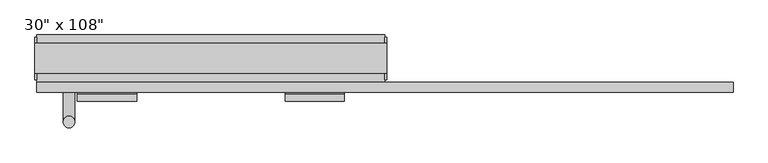
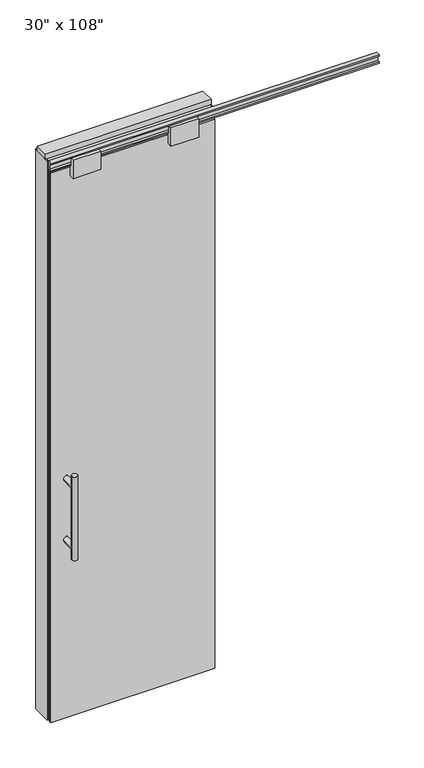
"""IFC4 building model written with IfcOpenShell, lengths in millimetres: furniture geometry."""

from ifc_helpers import new_model, si_unit, frame, origin, origin_with_axes, place, context, project, spatial, polyline, circle_curve, ellipse_curve, outline, extrude, source, transform, mapped, element, save
from ifc_brep_helpers import plane_surface, cylinder_surface, advanced_brep


def furniture_84f3418d(model_context):
    return source(origin(), model_context, "Body", "SolidModel", [
        extrude(outline(polyline([(317.0264771, -74.3677216), (-437.0995229, -74.3677216), (-437.0995229, -64.2077216), (317.0264771, -64.2077216), (317.0264771, -74.3677216)])), origin_with_axes(), (0.0, 0.0, 1.0), 2670.81),
        advanced_brep(
        [(-379.8225229, 3.3562784, 1219.2), (-354.4225229, 3.3562784, 1219.2), (-379.8225229, 3.3562784, 812.8), (-354.4225229, 3.3562784, 812.8), (-354.4225229, 3.3562784, 1164.336), (-354.4225229, 3.3562784, 867.664), (-379.8225229, 3.3562784, 867.664), (-379.8225229, 3.3562784, 1164.336), (-379.8225229, -64.2077216, 1164.336), (-354.4225229, -64.2077216, 1164.336), (-379.8225229, -64.2077216, 867.664), (-354.4225229, -64.2077216, 867.664)],
        [
            (0, 1, circle_curve(frame((-367.1225229, 3.3562784, 1219.2), z_axis=(0.0, 0.0, 1.0), x_axis=(1.0, 0.0, 0.0)), 12.7)),
            (1, 0, circle_curve(frame((-367.1225229, 3.3562784, 1219.2), z_axis=(0.0, 0.0, 1.0), x_axis=(1.0, 0.0, 0.0)), 12.7)),
            (2, 3, circle_curve(frame((-367.1225229, 3.3562784, 812.8), z_axis=(0.0, 0.0, -1.0), x_axis=(1.0, 0.0, 0.0)), 12.7)),
            (3, 2, circle_curve(frame((-367.1225229, 3.3562784, 812.8), z_axis=(0.0, 0.0, -1.0), x_axis=(1.0, 0.0, 0.0)), 12.7)),
            (1, 4),
            (4, 5),
            (5, 3),
            (2, 6),
            (6, 7),
            (7, 0),
            (6, 5, ellipse_curve(frame((-367.1225229, 3.3562784, 867.664), z_axis=(0.0, 0.707106781186565, 0.70710678118653), x_axis=(0.0, -0.70710678118653, 0.707106781186565)), 17.9605122, 12.7)),
            (4, 7, ellipse_curve(frame((-367.1225229, 3.3562784, 1164.336), z_axis=(0.0, 0.70710678118653, -0.7071067811865649), x_axis=(0.0, 0.7071067811865648, 0.7071067811865301)), 17.9605122, 12.7)),
            (7, 4, ellipse_curve(frame((-367.1225229, 3.3562784, 1164.336), z_axis=(0.0, 0.707106781186565, 0.70710678118653), x_axis=(0.0, -0.70710678118653, 0.707106781186565)), 17.9605122, 12.7)),
            (5, 6, ellipse_curve(frame((-367.1225229, 3.3562784, 867.664), z_axis=(0.0, 0.70710678118653, -0.7071067811865649), x_axis=(0.0, 0.7071067811865648, 0.7071067811865301)), 17.9605122, 12.7)),
            (8, 9, circle_curve(frame((-367.1225229, -64.2077216, 1164.336), z_axis=(0.0, -1.0, 0.0), x_axis=(1.0, 0.0, 0.0)), 12.7)),
            (9, 8, circle_curve(frame((-367.1225229, -64.2077216, 1164.336), z_axis=(0.0, -1.0, 0.0), x_axis=(1.0, 0.0, 0.0)), 12.7)),
            (8, 7),
            (4, 9),
            (10, 11, circle_curve(frame((-367.1225229, -64.2077216, 867.664), z_axis=(0.0, -1.0, 0.0), x_axis=(1.0, 0.0, 0.0)), 12.7)),
            (11, 10, circle_curve(frame((-367.1225229, -64.2077216, 867.664), z_axis=(0.0, -1.0, 0.0), x_axis=(1.0, 0.0, 0.0)), 12.7)),
            (10, 6),
            (5, 11),
        ],
        [
            plane_surface(frame((-354.4225229, 3.3562784, 1219.2), z_axis=(0.0, 0.0, 1.0), x_axis=(0.0, -1.0, 0.0))),
            plane_surface(frame((-354.4225229, 3.3562784, 812.8), z_axis=(0.0, 0.0, -1.0), x_axis=(0.0, 1.0, 0.0))),
            cylinder_surface(frame((-367.1225229, 3.3562784, 812.8), z_axis=(0.0, 0.0, 1.0), x_axis=(1.0, 0.0, 0.0)), 12.7),
            plane_surface(frame((-354.4225229, -64.2077216, 1164.336), z_axis=(0.0, -1.0, 0.0), x_axis=(0.0, 0.0, -1.0))),
            cylinder_surface(frame((-367.1225229, -64.2077216, 1164.336), z_axis=(0.0, 1.0, 0.0), x_axis=(1.0, 0.0, 0.0)), 12.7),
            plane_surface(frame((-354.4225229, -64.2077216, 867.664), z_axis=(0.0, -1.0, 0.0), x_axis=(0.0, 0.0, -1.0))),
            cylinder_surface(frame((-367.1225229, -64.2077216, 867.664), z_axis=(0.0, 1.0, 0.0), x_axis=(1.0, 0.0, 0.0)), 12.7),
        ],
        [
            (0, [[1, 2]]),
            (1, [[3, 4]]),
            (2, [[5, 6, 7, -3, 8, 9, 10, -2]]),
            (2, [[-9, 11, -6, 12]]),
            (2, [[-10, 13, -5, -1]]),
            (2, [[-7, 14, -8, -4]]),
            (3, [[15, 16]]),
            (4, [[17, -12, 18, -15]]),
            (4, [[-18, -13, -17, -16]]),
            (5, [[19, 20]]),
            (6, [[21, -14, 22, -19]]),
            (6, [[-22, -11, -21, -20]]),
        ],
    ),
        advanced_brep(
        [(-379.8225229, -141.9317216, 1219.2), (-354.4225229, -141.9317216, 1219.2), (-379.8225229, -141.9317216, 812.8), (-354.4225229, -141.9317216, 812.8), (-379.8225229, -141.9317216, 1164.336), (-379.8225229, -141.9317216, 867.664), (-354.4225229, -141.9317216, 867.664), (-354.4225229, -141.9317216, 1164.336), (-379.8225229, -74.3677216, 1164.336), (-354.4225229, -74.3677216, 1164.336), (-379.8225229, -74.3677216, 867.664), (-354.4225229, -74.3677216, 867.664)],
        [
            (0, 1, circle_curve(frame((-367.1225229, -141.9317216, 1219.2), z_axis=(0.0, 0.0, 1.0), x_axis=(1.0, 0.0, 0.0)), 12.7)),
            (1, 0, circle_curve(frame((-367.1225229, -141.9317216, 1219.2), z_axis=(0.0, 0.0, 1.0), x_axis=(1.0, 0.0, 0.0)), 12.7)),
            (2, 3, circle_curve(frame((-367.1225229, -141.9317216, 812.8), z_axis=(0.0, 0.0, -1.0), x_axis=(1.0, 0.0, 0.0)), 12.7)),
            (3, 2, circle_curve(frame((-367.1225229, -141.9317216, 812.8), z_axis=(0.0, 0.0, -1.0), x_axis=(1.0, 0.0, 0.0)), 12.7)),
            (0, 4),
            (4, 5),
            (5, 2),
            (3, 6),
            (6, 7),
            (7, 1),
            (7, 4, ellipse_curve(frame((-367.1225229, -141.9317216, 1164.336), z_axis=(0.0, -0.707106781186565, 0.70710678118653), x_axis=(0.0, 0.70710678118653, 0.707106781186565)), 17.9605122, 12.7)),
            (5, 6, ellipse_curve(frame((-367.1225229, -141.9317216, 867.664), z_axis=(0.0, -0.70710678118653, -0.7071067811865649), x_axis=(0.0, -0.7071067811865648, 0.7071067811865301)), 17.9605122, 12.7)),
            (4, 7, ellipse_curve(frame((-367.1225229, -141.9317216, 1164.336), z_axis=(0.0, -0.70710678118653, -0.7071067811865649), x_axis=(0.0, -0.7071067811865648, 0.7071067811865301)), 17.9605122, 12.7)),
            (6, 5, ellipse_curve(frame((-367.1225229, -141.9317216, 867.664), z_axis=(0.0, -0.707106781186565, 0.70710678118653), x_axis=(0.0, 0.70710678118653, 0.707106781186565)), 17.9605122, 12.7)),
            (8, 9, circle_curve(frame((-367.1225229, -74.3677216, 1164.336), z_axis=(0.0, 1.0, 0.0), x_axis=(1.0, 0.0, 0.0)), 12.7)),
            (9, 8, circle_curve(frame((-367.1225229, -74.3677216, 1164.336), z_axis=(0.0, 1.0, 0.0), x_axis=(1.0, 0.0, 0.0)), 12.7)),
            (9, 7),
            (4, 8),
            (10, 11, circle_curve(frame((-367.1225229, -74.3677216, 867.664), z_axis=(0.0, 1.0, 0.0), x_axis=(1.0, 0.0, 0.0)), 12.7)),
            (11, 10, circle_curve(frame((-367.1225229, -74.3677216, 867.664), z_axis=(0.0, 1.0, 0.0), x_axis=(1.0, 0.0, 0.0)), 12.7)),
            (11, 6),
            (5, 10),
        ],
        [
            plane_surface(frame((-354.4225229, -141.9317216, 1219.2), z_axis=(0.0, 0.0, 1.0), x_axis=(0.0, 1.0, 0.0))),
            plane_surface(frame((-354.4225229, -141.9317216, 812.8), z_axis=(0.0, 0.0, -1.0), x_axis=(0.0, -1.0, 0.0))),
            cylinder_surface(frame((-367.1225229, -141.9317216, 812.8), z_axis=(0.0, 0.0, 1.0), x_axis=(1.0, 0.0, 0.0)), 12.7),
            plane_surface(frame((-354.4225229, -74.3677216, 1164.336), z_axis=(0.0, 1.0, 0.0), x_axis=(0.0, 0.0, -1.0))),
            cylinder_surface(frame((-367.1225229, -74.3677216, 1164.336), z_axis=(0.0, -1.0, 0.0), x_axis=(1.0, 0.0, 0.0)), 12.7),
            plane_surface(frame((-354.4225229, -74.3677216, 867.664), z_axis=(0.0, 1.0, 0.0), x_axis=(0.0, 0.0, -1.0))),
            cylinder_surface(frame((-367.1225229, -74.3677216, 867.664), z_axis=(0.0, -1.0, 0.0), x_axis=(1.0, 0.0, 0.0)), 12.7),
        ],
        [
            (0, [[1, 2]]),
            (1, [[3, 4]]),
            (2, [[-1, 5, 6, 7, -4, 8, 9, 10]]),
            (2, [[-2, -10, 11, -5]]),
            (2, [[-3, -7, 12, -8]]),
            (2, [[13, -9, 14, -6]]),
            (3, [[15, 16]]),
            (4, [[-16, 17, -13, 18]]),
            (4, [[-15, -18, -11, -17]]),
            (5, [[19, 20]]),
            (6, [[-20, 21, -12, 22]]),
            (6, [[-19, -22, -14, -21]]),
        ],
    ),
        extrude(outline(polyline([(-63.1282216, 2628.9), (-63.1282216, 2670.81), (-75.4472216, 2670.81), (-75.4472216, 2628.9), (-97.6722216, 2628.9), (-97.6722216, 2717.8), (-82.1782216, 2717.8), (-82.1782216, 2676.779), (-59.5722216, 2676.779), (-59.5722216, 2628.9), (-63.1282216, 2628.9)])), frame((-348.8345229, 0.0, 0.0), z_axis=(1.0, 0.0, 0.0), x_axis=(0.0, 1.0, 0.0)), (0.0, 0.0, 1.0), 128.016),
        extrude(outline(polyline([(-63.1282216, 2628.9), (-63.1282216, 2670.81), (-75.4472216, 2670.81), (-75.4472216, 2628.9), (-97.6722216, 2628.9), (-97.6722216, 2717.8), (-82.1782216, 2717.8), (-82.1782216, 2676.779), (-59.5722216, 2676.779), (-59.5722216, 2628.9), (-63.1282216, 2628.9)])), frame((100.7454771, 0.0, 0.0), z_axis=(1.0, 0.0, 0.0), x_axis=(0.0, 1.0, 0.0)), (0.0, 0.0, 1.0), 128.016),
        extrude(outline(polyline([(-77.9237216, 2681.478), (-77.9237216, 2686.812), (-65.2237216, 2686.812), (-65.2237216, 2715.768), (-77.9237216, 2715.768), (-77.9237216, 2721.102), (-56.2067216, 2721.102), (-56.2067216, 2681.478), (-77.9237216, 2681.478)])), frame((-437.0995229, 0.0, 0.0), z_axis=(1.0, 0.0, 0.0), x_axis=(0.0, 1.0, 0.0)), (0.0, 0.0, 1.0), 1508.252),
        extrude(outline(polyline([(-437.0995229, -55.3177216), (-437.0995229, 46.2822784), (317.0264771, 46.2822784), (317.0264771, -55.3177216), (-437.0995229, -55.3177216)])), frame((0.0, 0.0, 2654.3), z_axis=(0.0, 0.0, 1.0), x_axis=(1.0, 0.0, 0.0)), (0.0, 0.0, 1.0), 22.225),
        extrude(outline(polyline([(320.9634771, -50.3647216), (317.0264771, -50.3647216), (317.0264771, 41.3292784), (320.9634771, 41.3292784), (320.9634771, -50.3647216)])), origin_with_axes(), (0.0, 0.0, 1.0), 2717.8),
        extrude(outline(polyline([(-441.0365229, -50.3647216), (-441.0365229, 41.3292784), (-437.0995229, 41.3292784), (-437.0995229, -50.3647216), (-441.0365229, -50.3647216)])), origin_with_axes(), (0.0, 0.0, 1.0), 2717.8),
        extrude(outline(polyline([(294.8014771, -55.3177216), (294.8014771, 46.2822784), (317.0264771, 46.2822784), (317.0264771, -55.3177216), (294.8014771, -55.3177216)])), origin_with_axes(), (0.0, 0.0, 1.0), 2654.3),
        extrude(outline(polyline([(-414.8745229, -55.3177216), (-437.0995229, -55.3177216), (-437.0995229, 46.2822784), (-414.8745229, 46.2822784), (-414.8745229, -55.3177216)])), origin_with_axes(), (0.0, 0.0, 1.0), 2654.3),
        extrude(outline(polyline([(-55.3177216, 2681.478), (-55.3177216, 2717.8), (46.2822784, 2717.8), (46.2822784, 2681.478), (41.3292784, 2681.478), (41.3292784, 2676.525), (-50.3647216, 2676.525), (-50.3647216, 2681.478), (-55.3177216, 2681.478)])), frame((-437.0995229, 0.0, 0.0), z_axis=(1.0, 0.0, 0.0), x_axis=(0.0, 1.0, 0.0)), (0.0, 0.0, 1.0), 754.126),
        extrude(outline(polyline([(-441.0365229, -37.0297216), (-441.0365229, 27.9942784), (320.9634771, 27.9942784), (320.9634771, -37.0297216), (-441.0365229, -37.0297216)])), frame((0.0, 0.0, 2717.8), z_axis=(0.0, 0.0, 1.0), x_axis=(1.0, 0.0, 0.0)), (0.0, 0.0, 1.0), 25.4),
    ])


if __name__ == "__main__":
    model = new_model("IFC4")
    model_context = context("Model", 3, world=origin())
    ifc_project = project(units=[si_unit("LENGTHUNIT", "METRE", prefix="MILLI")], contexts=[model_context])
    site = spatial("IfcSite", under=ifc_project)
    building = spatial("IfcBuilding", under=site)
    placement = place(None, origin())
    furniture_shape = furniture_84f3418d(model_context)
    element("IfcFurniture", 1, ObjectType="30\" x 108\"", at=placement, inside=building, context=model_context, shape_type="MappedRepresentation", body=[
        mapped(furniture_shape, transform((0.0, 0.0, 0.0), x_axis=(1.0, 0.0, 0.0), y_axis=(0.0, 1.0, 0.0), z_axis=(0.0, 0.0, 1.0))),
    ])
    save(model, "model.ifc")
